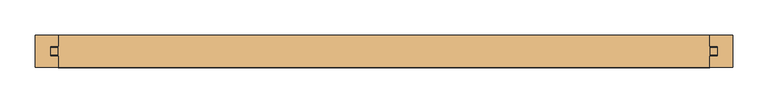
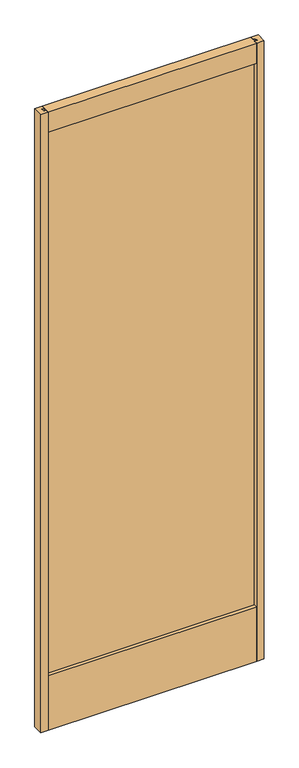
"""IFC4 building model written with IfcOpenShell, lengths in millimetres: door geometry."""

from ifc_helpers import new_model, si_unit, frame, origin, place, context, project, spatial, polyline, outline, extrude, source, transform, mapped, element, save


def door_155f79d1(model_context):
    return source(origin(), model_context, "Body", "SweptSolid", [
        extrude(outline(polyline([(473.71, 5.0038), (473.71, -5.0038), (-473.71, -5.0038), (-473.71, 5.0038), (473.71, 5.0038)])), frame((0.0, 0.0, 95.25), z_axis=(0.0, 0.0, 1.0), x_axis=(1.0, 0.0, 0.0)), (0.0, 0.0, 1.0), 2730.2893997),
        extrude(outline(polyline([(-495.3, 22.733), (-462.28, 22.733), (-462.28, 7.239), (-473.71, 7.239), (-473.71, -7.239), (-462.28, -7.239), (-462.28, -22.733), (-495.3, -22.733), (-495.3, 22.733)])), frame((0.0, 0.0, 12.7), z_axis=(0.0, 0.0, 1.0), x_axis=(1.0, 0.0, 0.0)), (0.0, 0.0, 1.0), 2895.3893997),
        extrude(outline(polyline([(495.3, 22.733), (495.3, -22.733), (462.28, -22.733), (462.28, -7.239), (473.71, -7.239), (473.71, 7.239), (462.28, 7.239), (462.28, 22.733), (495.3, 22.733)])), frame((0.0, 0.0, 12.7), z_axis=(0.0, 0.0, 1.0), x_axis=(1.0, 0.0, 0.0)), (0.0, 0.0, 1.0), 2895.3893997),
        extrude(outline(polyline([(22.733, 12.7), (-22.733, 12.7), (-22.733, 266.7), (-7.239, 266.7), (-7.239, 255.27), (7.239, 255.27), (7.239, 266.7), (22.733, 266.7), (22.733, 12.7)])), frame((-462.28, 0.0, 0.0), z_axis=(1.0, 0.0, 0.0), x_axis=(0.0, 1.0, 0.0)), (0.0, 0.0, 1.0), 924.56),
        extrude(outline(polyline([(-22.733, 2908.0893997), (22.733, 2908.0893997), (22.733, 2814.1093997), (7.239, 2814.1093997), (7.239, 2825.5393997), (-7.239, 2825.5393997), (-7.239, 2814.1093997), (-22.733, 2814.1093997), (-22.733, 2908.0893997)])), frame((-462.28, 0.0, 0.0), z_axis=(1.0, 0.0, 0.0), x_axis=(0.0, 1.0, 0.0)), (0.0, 0.0, 1.0), 924.56),
    ])


if __name__ == "__main__":
    model = new_model("IFC4")
    model_context = context("Model", 3, world=origin())
    ifc_project = project(units=[si_unit("LENGTHUNIT", "METRE", prefix="MILLI")], contexts=[model_context])
    site = spatial("IfcSite", under=ifc_project)
    building = spatial("IfcBuilding", under=site)
    placement = place(None, origin())
    door_shape = door_155f79d1(model_context)
    element("IfcDoor", 1, at=placement, inside=building, context=model_context, shape_type="MappedRepresentation", body=[
        mapped(door_shape, transform((0.0, 0.0, 0.0), x_axis=(1.0, 0.0, 0.0), y_axis=(0.0, 1.0, 0.0), z_axis=(0.0, 0.0, 1.0))),
    ])
    save(model, "model.ifc")
